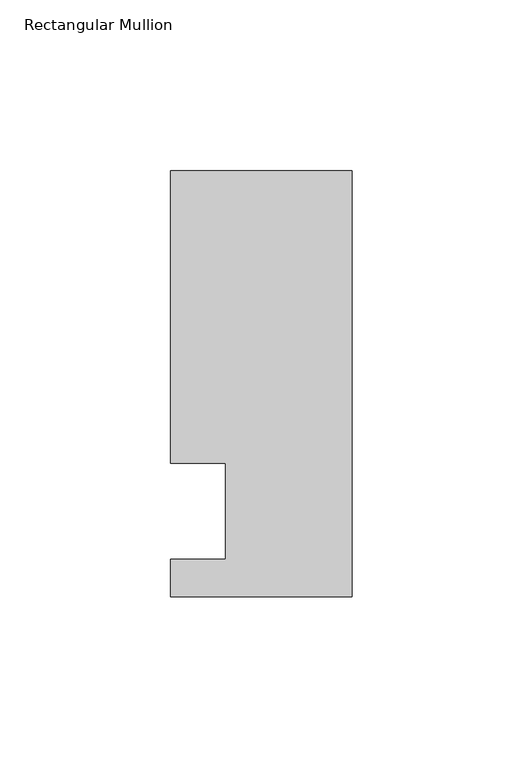
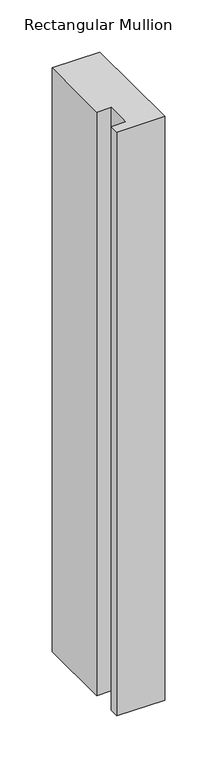
"""IFC4 building model written with IfcOpenShell, lengths in millimetres: member geometry, Rectangular Mullion."""

from ifc_helpers import new_model, si_unit, frame, origin, place, context, project, spatial, polyline, outline, extrude, source, transform, mapped, element, save


def rectangular_mullion_a6ec80fe(model_context):
    return source(origin(), model_context, "Body", "SweptSolid", [
        extrude(outline(polyline([(0.0, -25.0), (-53.0, -25.0), (-53.0, -14.0), (-37.0, -14.0), (-37.0, 14.0), (-53.0, 14.0), (-53.0, 99.5), (0.0, 99.5), (0.0, -25.0)])), frame((0.0, 0.0, -684.1000095), z_axis=(0.0, 0.0, 1.0), x_axis=(1.0, 0.0, 0.0)), (0.0, 0.0, 1.0), 684.1000095),
    ])


if __name__ == "__main__":
    model = new_model("IFC4")
    model_context = context("Model", 3, world=origin())
    ifc_project = project(units=[si_unit("LENGTHUNIT", "METRE", prefix="MILLI")], contexts=[model_context])
    site = spatial("IfcSite", under=ifc_project)
    building = spatial("IfcBuilding", under=site)
    placement = place(None, origin())
    rectangular_mullion_shape = rectangular_mullion_a6ec80fe(model_context)
    element("IfcMember", 1, ObjectType="Rectangular Mullion", at=placement, inside=building, context=model_context, shape_type="MappedRepresentation", body=[
        mapped(rectangular_mullion_shape, transform((0.0, 0.0, 0.0), x_axis=(1.0, 0.0, 0.0), y_axis=(0.0, 1.0, 0.0), z_axis=(0.0, 0.0, 1.0))),
    ])
    save(model, "model.ifc")
